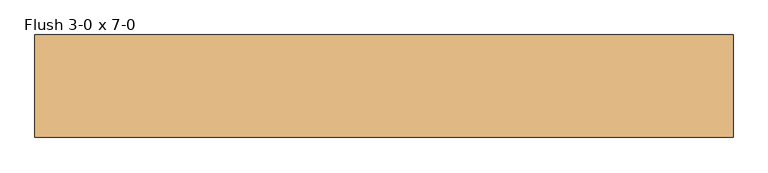
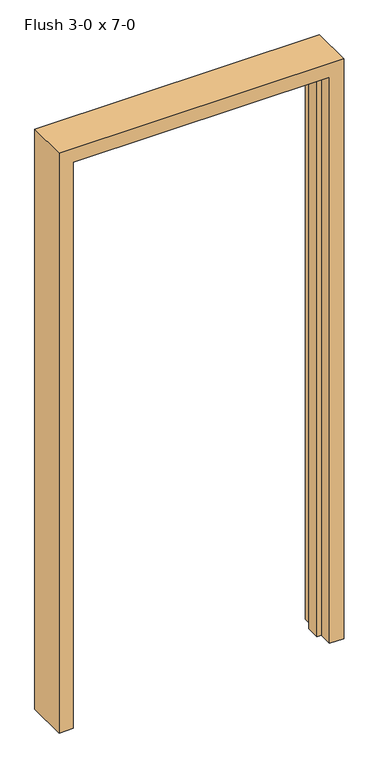
"""IFC4 building model written with IfcOpenShell, lengths in millimetres: door geometry, Flush 3-0 x 7-0."""

from ifc_helpers import new_model, si_unit, frame, origin, place, context, project, spatial, polyline, outline, extrude, source, transform, mapped, element, save


def flush_3_0_x_7_0_750d33b3(model_context):
    return source(origin(), model_context, "Body", "SweptSolid", [
        extrude(outline(polyline([(0.0, 457.2), (2133.6, 457.2), (2133.6, -457.2), (0.0, -457.2), (0.0, -441.325), (2117.725, -441.325), (2117.725, 441.325), (0.0, 441.325), (0.0, 457.2)])), frame((0.0, -33.3375, 0.0), z_axis=(0.0, 1.0, 0.0), x_axis=(0.0, 0.0, 1.0)), (0.0, 0.0, 1.0), 50.8),
        extrude(outline(polyline([(0.0, 457.2), (0.0, 508.0), (2184.4, 508.0), (2184.4, -508.0), (0.0, -508.0), (0.0, -457.2), (2133.6, -457.2), (2133.6, 457.2), (0.0, 457.2)])), frame((0.0, -82.55, 0.0), z_axis=(0.0, 1.0, 0.0), x_axis=(0.0, 0.0, 1.0)), (0.0, 0.0, 1.0), 149.225),
    ])


if __name__ == "__main__":
    model = new_model("IFC4")
    model_context = context("Model", 3, world=origin())
    ifc_project = project(units=[si_unit("LENGTHUNIT", "METRE", prefix="MILLI")], contexts=[model_context])
    site = spatial("IfcSite", under=ifc_project)
    building = spatial("IfcBuilding", under=site)
    placement = place(None, origin())
    flush_3_0_x_7_0_shape = flush_3_0_x_7_0_750d33b3(model_context)
    element("IfcDoor", 1, ObjectType="Flush 3-0 x 7-0", at=placement, inside=building, context=model_context, shape_type="MappedRepresentation", body=[
        mapped(flush_3_0_x_7_0_shape, transform((0.0, 0.0, 0.0), x_axis=(1.0, 0.0, 0.0), y_axis=(0.0, 1.0, 0.0), z_axis=(0.0, 0.0, 1.0))),
    ])
    save(model, "model.ifc")
